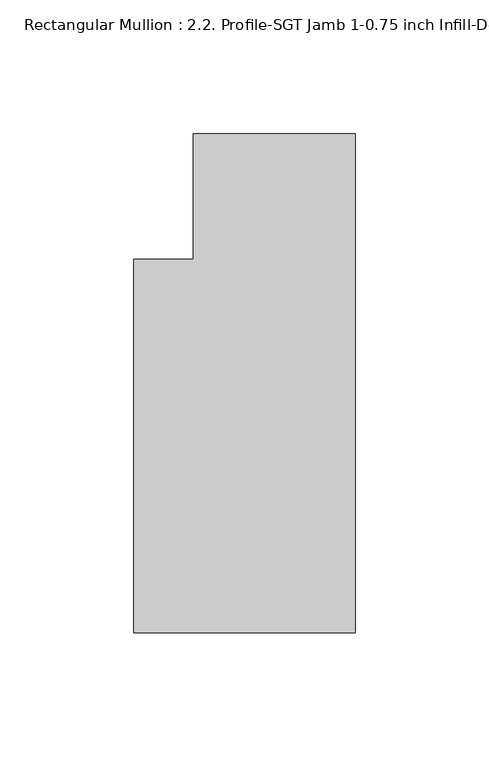
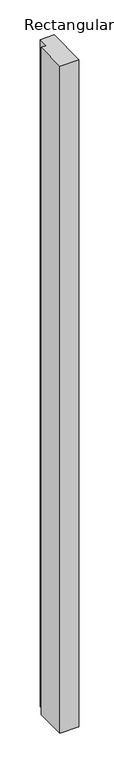
"""IFC4 building model written with IfcOpenShell, lengths in millimetres: member geometry, Rectangular Mullion : 2.2. Profile-SGT Jamb 1-0.75 inch Infill-Detail-7."""

from ifc_helpers import new_model, si_unit, frame, origin, place, context, project, spatial, polyline, outline, extrude, source, transform, mapped, element, save


def rectangular_mullion_2_2_profile_sgt_jamb_1_0_75_inch_infill_fb5d680f(model_context):
    return source(origin(), model_context, "Body", "SweptSolid", [
        extrude(outline(polyline([(-82.7668749, -99.2718871), (-82.7668749, 40.4281079), (-60.5419882, 40.4281079), (-60.5419882, 87.3863652), (0.0, 87.3863652), (0.0, -99.2718871), (-82.7668749, -99.2718871)])), frame((0.0, 0.0, -3048.0), z_axis=(0.0, 0.0, 1.0), x_axis=(1.0, 0.0, 0.0)), (0.0, 0.0, 1.0), 3048.0),
    ])


if __name__ == "__main__":
    model = new_model("IFC4")
    model_context = context("Model", 3, world=origin())
    ifc_project = project(units=[si_unit("LENGTHUNIT", "METRE", prefix="MILLI")], contexts=[model_context])
    site = spatial("IfcSite", under=ifc_project)
    building = spatial("IfcBuilding", under=site)
    placement = place(None, origin())
    rectangular_mullion_2_2_profile_sgt_jamb_1_0_75_inch_infill_shape = rectangular_mullion_2_2_profile_sgt_jamb_1_0_75_inch_infill_fb5d680f(model_context)
    element("IfcMember", 1, ObjectType="Rectangular Mullion : 2.2. Profile-SGT Jamb 1-0.75 inch Infill-Detail-7", at=placement, inside=building, context=model_context, shape_type="MappedRepresentation", body=[
        mapped(rectangular_mullion_2_2_profile_sgt_jamb_1_0_75_inch_infill_shape, transform((0.0, 0.0, 0.0), x_axis=(1.0, 0.0, 0.0), y_axis=(0.0, 1.0, 0.0), z_axis=(0.0, 0.0, 1.0))),
    ])
    save(model, "model.ifc")
